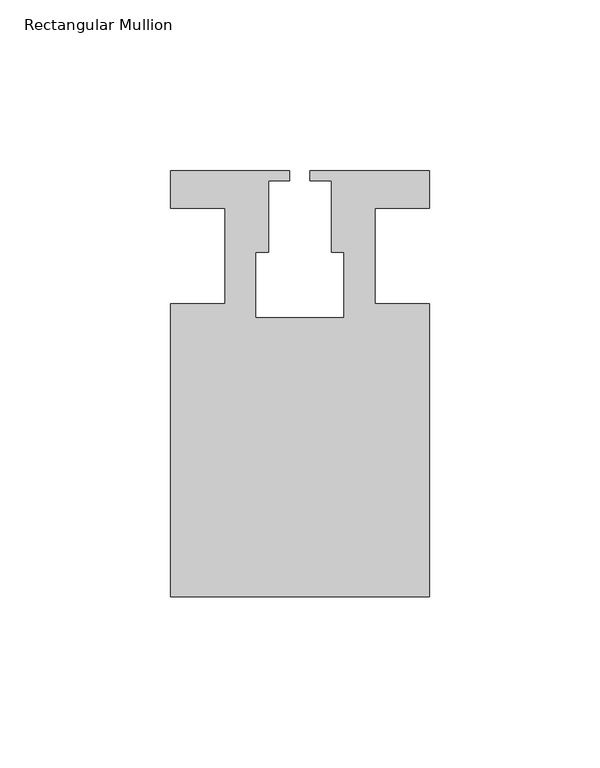
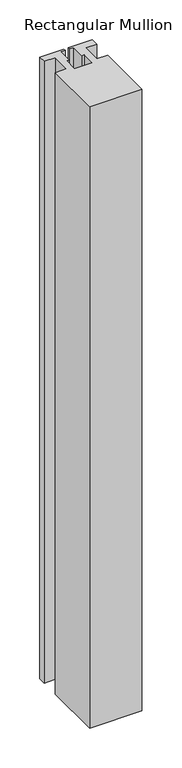
"""IFC4 building model written with IfcOpenShell, lengths in millimetres: member geometry, Rectangular Mullion."""

from ifc_helpers import new_model, si_unit, frame, origin, place, context, project, spatial, polyline, outline, extrude, source, transform, mapped, element, save


def rectangular_mullion_aaa28270(model_context):
    return source(origin(), model_context, "Body", "SweptSolid", [
        extrude(outline(polyline([(37.9999914, -99.9960123), (-37.9999896, -99.9960123), (-37.9999896, -13.9960123), (-21.9999633, -13.9960123), (-21.9999633, 14.0039877), (-37.9999896, 14.0039877), (-37.9999896, 25.0039877), (-2.9999896, 25.0039877), (-2.9999896, 22.0039877), (-9.1999633, 22.0039877), (-9.1999633, 1.0039877), (-12.9999633, 1.0039877), (-12.9999633, -18.1960075), (12.9999651, -18.1960075), (12.9999651, 1.0039877), (9.1999651, 1.0039877), (9.1999651, 22.0039877), (2.9999651, 22.0039877), (2.9999651, 25.0039877), (37.9999896, 25.0039877), (37.9999896, 14.0039877), (21.9999651, 14.0039877), (21.9999651, -13.9960123), (37.9999914, -13.9960123), (37.9999914, -99.9960123)])), frame((0.0, 0.0, -953.6595328), z_axis=(0.0, 0.0, 1.0), x_axis=(1.0, 0.0, 0.0)), (0.0, 0.0, 1.0), 953.6595328),
    ])


if __name__ == "__main__":
    model = new_model("IFC4")
    model_context = context("Model", 3, world=origin())
    ifc_project = project(units=[si_unit("LENGTHUNIT", "METRE", prefix="MILLI")], contexts=[model_context])
    site = spatial("IfcSite", under=ifc_project)
    building = spatial("IfcBuilding", under=site)
    placement = place(None, origin())
    rectangular_mullion_shape = rectangular_mullion_aaa28270(model_context)
    element("IfcMember", 1, ObjectType="Rectangular Mullion", at=placement, inside=building, context=model_context, shape_type="MappedRepresentation", body=[
        mapped(rectangular_mullion_shape, transform((0.0, 0.0, 0.0), x_axis=(1.0, 0.0, 0.0), y_axis=(0.0, 1.0, 0.0), z_axis=(0.0, 0.0, 1.0))),
    ])
    save(model, "model.ifc")
